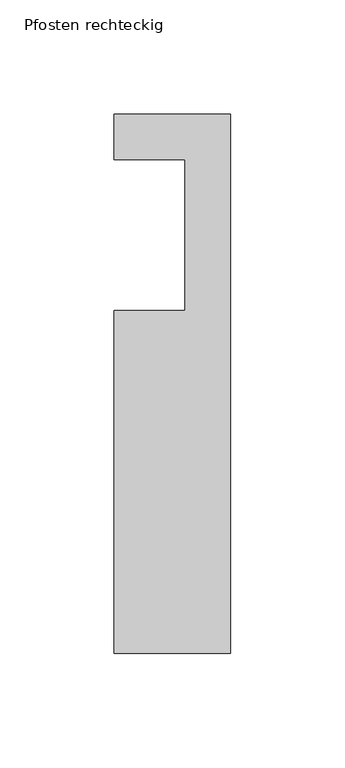
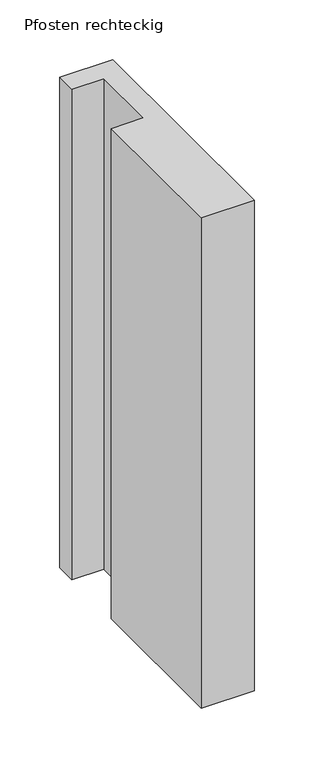
"""IFC4 building model written with IfcOpenShell, lengths in millimetres: member geometry, Pfosten rechteckig."""

from ifc_helpers import new_model, si_unit, frame, origin, place, context, project, spatial, polyline, outline, extrude, source, transform, mapped, element, save


def pfosten_rechteckig_2afb81b4(model_context):
    return source(origin(), model_context, "Body", "SweptSolid", [
        extrude(outline(polyline([(0.0, 20.0), (0.0, -216.0), (-51.0, -216.0), (-51.0, -66.0), (-20.0, -66.0), (-20.0, 0.0), (-51.0, 0.0), (-51.0, 20.0), (0.0, 20.0)])), frame((0.0, 0.0, -500.0), z_axis=(0.0, 0.0, 1.0), x_axis=(1.0, 0.0, 0.0)), (0.0, 0.0, 1.0), 500.0),
    ])


if __name__ == "__main__":
    model = new_model("IFC4")
    model_context = context("Model", 3, world=origin())
    ifc_project = project(units=[si_unit("LENGTHUNIT", "METRE", prefix="MILLI")], contexts=[model_context])
    site = spatial("IfcSite", under=ifc_project)
    building = spatial("IfcBuilding", under=site)
    placement = place(None, origin())
    pfosten_rechteckig_shape = pfosten_rechteckig_2afb81b4(model_context)
    element("IfcMember", 1, ObjectType="Pfosten rechteckig", at=placement, inside=building, context=model_context, shape_type="MappedRepresentation", body=[
        mapped(pfosten_rechteckig_shape, transform((0.0, 0.0, 0.0), x_axis=(1.0, 0.0, 0.0), y_axis=(0.0, 1.0, 0.0), z_axis=(0.0, 0.0, 1.0))),
    ])
    save(model, "model.ifc")
